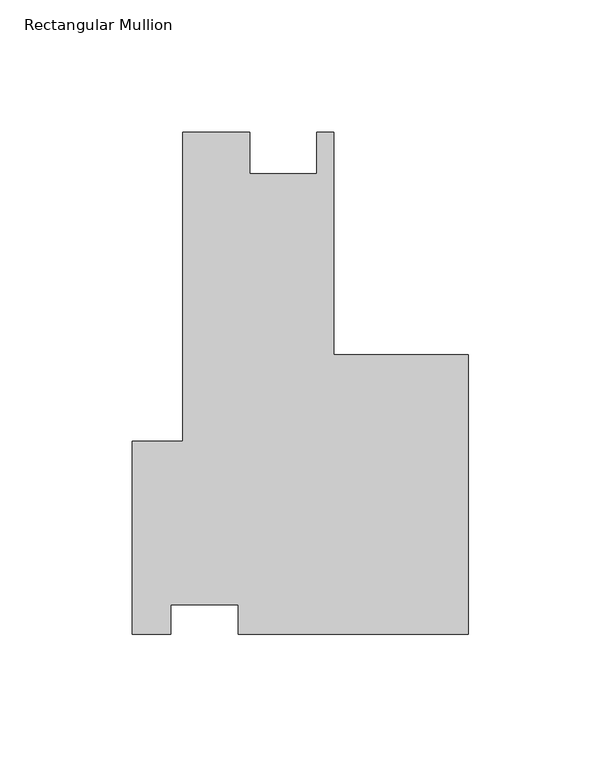
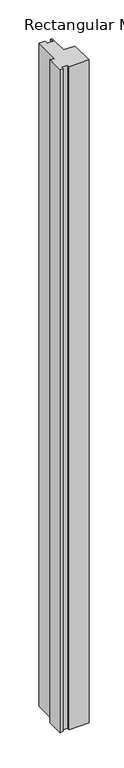
"""IFC4 building model written with IfcOpenShell, lengths in millimetres: member geometry, Rectangular Mullion."""

from ifc_helpers import new_model, si_unit, frame, origin, place, context, project, spatial, polyline, outline, extrude, source, transform, mapped, element, save


def rectangular_mullion_a2988605(model_context):
    return source(origin(), model_context, "Body", "SweptSolid", [
        extrude(outline(polyline([(-112.3969008, -43.0657), (-126.996369, -43.0657), (-126.996369, 29.9466), (-107.946369, 29.9466), (-107.946369, 146.6278501), (-82.546369, 146.6278501), (-82.546369, 131.0068501), (-57.3621659, 131.0068501), (-57.3621659, 146.62785), (-50.796369, 146.62785), (-50.796369, 62.484), (0.0, 62.484), (0.0, -43.0657), (-86.9969008, -43.0657), (-86.9969008, -31.9532), (-112.3969008, -31.9532), (-112.3969008, -43.0657)])), frame((0.0, 0.0, -3048.0), z_axis=(0.0, 0.0, 1.0), x_axis=(1.0, 0.0, 0.0)), (0.0, 0.0, 1.0), 3048.0),
    ])


if __name__ == "__main__":
    model = new_model("IFC4")
    model_context = context("Model", 3, world=origin())
    ifc_project = project(units=[si_unit("LENGTHUNIT", "METRE", prefix="MILLI")], contexts=[model_context])
    site = spatial("IfcSite", under=ifc_project)
    building = spatial("IfcBuilding", under=site)
    placement = place(None, origin())
    rectangular_mullion_shape = rectangular_mullion_a2988605(model_context)
    element("IfcMember", 1, ObjectType="Rectangular Mullion", at=placement, inside=building, context=model_context, shape_type="MappedRepresentation", body=[
        mapped(rectangular_mullion_shape, transform((0.0, 0.0, 0.0), x_axis=(1.0, 0.0, 0.0), y_axis=(0.0, 1.0, 0.0), z_axis=(0.0, 0.0, 1.0))),
    ])
    save(model, "model.ifc")
